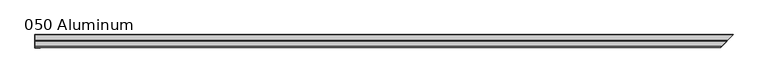
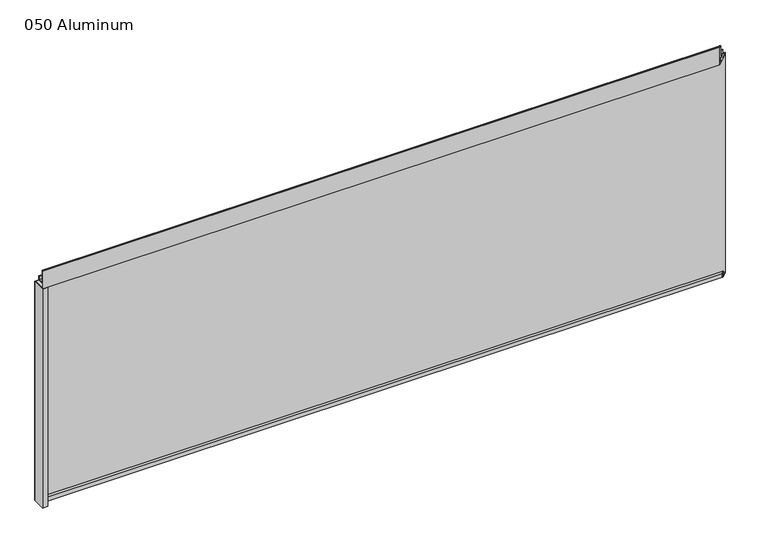
"""IFC4 building model written with IfcOpenShell, lengths in millimetres: plate geometry, 050 Aluminum."""

import ifcopenshell
import ifcopenshell.guid

model = None  # the IFC model being written
_history = None  # IfcOwnerHistory: only IFC2X3 demands one
_inside = {}  # id of a spatial element -> (the spatial element, [elements in it])
_under = {}  # id of a project, library or spatial element -> (it, [spatial elements below it])
_declared = {}  # id of a project -> (the project, [libraries it declares])
_typed = {}  # id of a type object -> (the type object, [elements of that type])
_made_of = {}  # id of a material, layer set ... -> (it, [elements and type objects made of it])


def new_model(schema):
    """Start an empty IFC model of exactly this schema.

    Asked for "IFC4X3", IfcOpenShell would pick the latest addendum, in which some entities
    have other attributes; the version numbers below select the first issue.
    IFC2X3 requires an IfcOwnerHistory on every rooted entity: one is made here for all.
    """
    global model, _history
    if schema == "IFC4X3":
        model = ifcopenshell.file(schema_version=(4, 3, 0, 0))
    else:
        model = ifcopenshell.file(schema=schema)
    _inside.clear()
    _under.clear()
    _declared.clear()
    _typed.clear()
    _made_of.clear()
    _history = None
    if model.schema == "IFC2X3":
        org = make("IfcOrganization", Name="unknown")
        user = make(
            "IfcPersonAndOrganization",
            ThePerson=make("IfcPerson", FamilyName="unknown"),
            TheOrganization=org,
        )
        app = make(
            "IfcApplication",
            ApplicationDeveloper=org,
            Version="unknown",
            ApplicationFullName="unknown",
            ApplicationIdentifier="unknown",
        )
        _history = make(
            "IfcOwnerHistory",
            OwningUser=user,
            OwningApplication=app,
            ChangeAction="ADDED",
            CreationDate=0,
        )
    return model


def make(cls, **values):
    """One entity of the class cls with the attributes given. An attribute that is None is left unset."""
    return model.create_entity(
        cls, **{name: value for name, value in values.items() if value is not None}
    )


def rooted(cls, **values):
    """An entity with a GlobalId (a new one), such as an element, a storey or a relation."""
    return make(cls, GlobalId=ifcopenshell.guid.new(), OwnerHistory=_history, **values)


def si_unit(unit_type, name, prefix=None):
    """IfcSIUnit, for example si_unit("LENGTHUNIT", "METRE", prefix="MILLI")."""
    return make("IfcSIUnit", UnitType=unit_type, Prefix=prefix, Name=name)


def assignment(units):
    """IfcUnitAssignment: the units of a project."""
    return None if units is None else make("IfcUnitAssignment", Units=units)


def point(xyz):
    """IfcCartesianPoint."""
    return None if xyz is None else make("IfcCartesianPoint", Coordinates=xyz)


def direction(xyz):
    """IfcDirection."""
    return None if xyz is None else make("IfcDirection", DirectionRatios=xyz)


def frame(location, z_axis=None, x_axis=None):
    """IfcAxis2Placement3D, a coordinate frame: its origin and axes. An axis left out is left unset."""
    return make(
        "IfcAxis2Placement3D",
        Location=point(location),
        Axis=direction(z_axis),
        RefDirection=direction(x_axis),
    )


def origin():
    """The frame at (0, 0, 0) with its axes left unset."""
    return frame((0.0, 0.0, 0.0))


def origin_with_axes():
    """The frame at (0, 0, 0) with the z axis (0, 0, 1) and the x axis (1, 0, 0) written out."""
    return frame((0.0, 0.0, 0.0), z_axis=(0.0, 0.0, 1.0), x_axis=(1.0, 0.0, 0.0))


def place(relative_to, where):
    """IfcLocalPlacement: puts the frame where relative to a parent placement (None: the world)."""
    return make(
        "IfcLocalPlacement", PlacementRelTo=relative_to, RelativePlacement=where
    )


def context(
    kind, dimensions, precision=None, world=None, true_north=None, identifier=None
):
    """IfcGeometricRepresentationContext, for example the 3D "Model" context."""
    return make(
        "IfcGeometricRepresentationContext",
        ContextIdentifier=identifier,
        ContextType=kind,
        CoordinateSpaceDimension=dimensions,
        Precision=precision,
        WorldCoordinateSystem=world,
        TrueNorth=true_north,
    )


def project(units=None, contexts=None):
    """IfcProject with its units and contexts."""
    return rooted(
        "IfcProject",
        Name="project",
        RepresentationContexts=contexts,
        UnitsInContext=assignment(units),
    )


def spatial(cls, under=None, at=None, **own):
    """A site, building, storey or space (cls), placed at a placement, below another one or the project."""
    s = rooted(cls, ObjectPlacement=at, **own)
    if under is not None:
        _under.setdefault(under.id(), (under, []))[1].append(s)
    return s


def polyline(points):
    """IfcPolyline through the points."""
    return make("IfcPolyline", Points=[point(p) for p in points])


def circle_curve(where, radius):
    """IfcCircle in the frame where."""
    return make("IfcCircle", Position=where, Radius=radius)


def ellipse_curve(where, semi_axis1, semi_axis2):
    """IfcEllipse in the frame where."""
    return make(
        "IfcEllipse", Position=where, SemiAxis1=semi_axis1, SemiAxis2=semi_axis2
    )


def outline(outer, holes=None, kind="AREA"):
    """IfcArbitraryClosedProfileDef: a profile drawn as a closed curve; with holes, ...WithVoids."""
    if holes is None:
        return make("IfcArbitraryClosedProfileDef", ProfileType=kind, OuterCurve=outer)
    return make(
        "IfcArbitraryProfileDefWithVoids",
        ProfileType=kind,
        OuterCurve=outer,
        InnerCurves=holes,
    )


def extrude(swept, where, along, depth):
    """IfcExtrudedAreaSolid: the profile swept, set in the frame where, extruded along a direction by depth."""
    return make(
        "IfcExtrudedAreaSolid",
        SweptArea=swept,
        Position=where,
        ExtrudedDirection=direction(along),
        Depth=depth,
    )


def shape(context_of_items, identifier, shape_type, items):
    """IfcShapeRepresentation: the items that make up one representation, for example the "Body"."""
    return make(
        "IfcShapeRepresentation",
        ContextOfItems=context_of_items,
        RepresentationIdentifier=identifier,
        RepresentationType=shape_type,
        Items=items,
    )


def source(mapping_origin, context_of_items, identifier, shape_type, items):
    """IfcRepresentationMap: a shape defined once, which mapped items show again and again."""
    return make(
        "IfcRepresentationMap",
        MappingOrigin=mapping_origin,
        MappedRepresentation=shape(context_of_items, identifier, shape_type, items),
    )


def transform(
    local_origin,
    x_axis=None,
    y_axis=None,
    z_axis=None,
    scale=None,
    scale2=None,
    scale3=None,
    uniform=True,
):
    """IfcCartesianTransformationOperator3D, or its non-uniform kind. x_axis, y_axis, z_axis: its Axis1, 2, 3."""
    if uniform:
        return make(
            "IfcCartesianTransformationOperator3D",
            Axis1=direction(x_axis),
            Axis2=direction(y_axis),
            LocalOrigin=point(local_origin),
            Scale=scale,
            Axis3=direction(z_axis),
        )
    return make(
        "IfcCartesianTransformationOperator3DnonUniform",
        Axis1=direction(x_axis),
        Axis2=direction(y_axis),
        LocalOrigin=point(local_origin),
        Scale=scale,
        Axis3=direction(z_axis),
        Scale2=scale2,
        Scale3=scale3,
    )


def mapped(mapping_source, mapping_target):
    """IfcMappedItem: shows the shape of a source again, moved by a transform."""
    return make(
        "IfcMappedItem", MappingSource=mapping_source, MappingTarget=mapping_target
    )


def made_of(thing, what):
    """Note that an element or type object is made of a material, layer set ...; save() writes the relation."""
    if what is not None:
        _made_of.setdefault(what.id(), (what, []))[1].append(thing)
    return thing


def element(
    cls,
    number,
    at=None,
    inside=None,
    cuts=None,
    type_object=None,
    material=None,
    context=None,
    identifier="Body",
    shape_type=None,
    held_by="IfcProductDefinitionShape",
    body=None,
    shapes=None,
    **own,
):
    """One element of the class cls, such as IfcWall. Its Tag is "e" and its number.

    at: its placement. inside: the storey or other place that contains it. cuts: it is an
    opening in that element (IfcRelVoidsElement). A single representation is given by context,
    identifier, shape_type and body (its items); several are given by shapes. held_by: the class
    of the entity that holds the representations. save() writes the other relations.
    """
    e = rooted(cls, Tag="e%d" % number, ObjectPlacement=at, **own)
    if body is not None:
        shapes = [shape(context, identifier, shape_type, body)]
    if shapes is not None:
        e.Representation = make(held_by, Representations=shapes)
    if inside is not None:
        _inside.setdefault(inside.id(), (inside, []))[1].append(e)
    if cuts is not None:
        rooted(
            "IfcRelVoidsElement", RelatingBuildingElement=cuts, RelatedOpeningElement=e
        )
    if type_object is not None:
        _typed.setdefault(type_object.id(), (type_object, []))[1].append(e)
    return made_of(e, material)


def aggregate(whole, parts):
    """IfcRelAggregates: a whole, such as a stair, and the parts it consists of."""
    return rooted("IfcRelAggregates", RelatingObject=whole, RelatedObjects=parts)


def save(model, path):
    """Write the relations noted so far, then the file.

    IfcRelAggregates (storeys below a building ...), IfcRelContainedInSpatialStructure (elements
    in a storey), IfcRelDefinesByType, IfcRelAssociatesMaterial and IfcRelDeclares: one each for
    every whole, place, type object, material and project.
    """
    for whole, parts in _under.values():
        aggregate(whole, parts)
    for where, things in _inside.values():
        rooted(
            "IfcRelContainedInSpatialStructure",
            RelatedElements=things,
            RelatingStructure=where,
        )
    for kind, things in _typed.values():
        rooted("IfcRelDefinesByType", RelatedObjects=things, RelatingType=kind)
    for what, things in _made_of.values():
        rooted("IfcRelAssociatesMaterial", RelatedObjects=things, RelatingMaterial=what)
    for by, libraries in _declared.values():
        rooted("IfcRelDeclares", RelatingContext=by, RelatedDefinitions=libraries)
    model.write(path)


def plane_surface(at):
    """IfcPlane: the flat surface through the origin of the frame at, square to its z axis."""
    return make("IfcPlane", Position=at)


def cylinder_surface(at, radius):
    """IfcCylindricalSurface: all points at the distance radius from the z axis of the frame at."""
    return make("IfcCylindricalSurface", Position=at, Radius=radius)


def revolved_surface(curve, axis_point, axis_direction):
    """IfcSurfaceOfRevolution: the curve turned about the line through axis_point along axis_direction."""
    return make(
        "IfcSurfaceOfRevolution",
        SweptCurve=make("IfcArbitraryOpenProfileDef", ProfileType="CURVE", Curve=curve),
        AxisPosition=make("IfcAxis1Placement", Location=point(axis_point), Axis=direction(axis_direction)),
    )


def advanced_brep(points, edges, surfaces, faces):
    """IfcAdvancedBrep: a solid bounded by faces that lie on surfaces and meet in shared edges.

    An edge is (start, end): straight between two places in points (the first is 0);
    or (start, end, curve); or (start, end, curve, False) where it runs against its curve.
    A face is (place in surfaces, loops), or (place, loops, False) where it looks against
    its surface's normal. A loop lists edges by number (the first is 1), with a minus sign
    where the edge is run from its end to its start. The first loop is the outer one.
    """
    corners = [point(p) for p in points]
    vertices = [make("IfcVertexPoint", VertexGeometry=c) for c in corners]
    made = []
    for start, end, *more in edges:
        made.append(
            make(
                "IfcEdgeCurve",
                EdgeStart=vertices[start],
                EdgeEnd=vertices[end],
                EdgeGeometry=more[0] if more else make("IfcPolyline", Points=[corners[start], corners[end]]),
                SameSense=more[1] if len(more) > 1 else True,
            )
        )
    hull = []
    for where, loops, *sense in faces:
        bounds = []
        for j, loop in enumerate(loops):
            ring = [make("IfcOrientedEdge", EdgeElement=made[abs(k) - 1], Orientation=k > 0) for k in loop]
            bounds.append(
                make(
                    "IfcFaceOuterBound" if j == 0 else "IfcFaceBound",
                    Bound=make("IfcEdgeLoop", EdgeList=ring),
                    Orientation=True,
                )
            )
        hull.append(make("IfcAdvancedFace", Bounds=bounds, FaceSurface=surfaces[where], SameSense=sense[0] if sense else True))
    return make("IfcAdvancedBrep", Outer=make("IfcClosedShell", CfsFaces=hull))


def plate_050_aluminum_2981a1be(model_context):
    return source(origin(), model_context, "Body", "SolidModel", [
        extrude(outline(polyline([(-888.5237498, 2.5660257), (-875.6332493, 2.5660257), (-875.6332493, 1.2699999), (-889.7937498, 1.2699999), (-889.7937498, 34.7980001), (-888.5237498, 34.7980001), (-888.5237498, 2.5660257)])), origin_with_axes(), (0.0, 0.0, 1.0), 608.33),
        advanced_brep(
        [(-888.5237498, 16.6765477, 13.1458337), (-888.5237498, 23.0264743, 13.124237), (-888.5237498, 23.0264743, 1.2693678), (-888.5237498, 34.7980002, 1.2693678), (-888.5237498, 34.7980002, 0.0), (-888.5237498, 21.7564743, 0.0), (-888.5237498, 21.7564743, 13.124237), (-888.5237498, 17.9464915, 13.1323356), (-888.5237498, 17.9464915, 2.786437), (-888.5237498, 16.6765477, 2.786437), (906.4702976, 16.6765477, 2.786437), (906.4702976, 16.6765477, 13.1458337), (907.7402413, 17.9464915, 2.786437), (907.7402413, 17.9464915, 13.1323356), (911.5502241, 21.7564743, 13.124237), (911.5502241, 21.7564743, 0.0), (924.5917498, 34.7980002, 0.0), (924.5917498, 34.7980002, 1.2693678), (912.8202241, 23.0264743, 1.2693678), (912.8202241, 23.0264743, 13.124237)],
        [
            (0, 1, circle_curve(frame((-888.5237498, 19.8514743, 13.124237), z_axis=(-1.0, 0.0, 0.0), x_axis=(0.0, 0.0, -1.0)), 3.175)),
            (1, 2),
            (2, 3),
            (3, 4),
            (4, 5),
            (5, 6),
            (6, 7, circle_curve(frame((-888.5237498, 19.8514743, 13.124237), z_axis=(1.0, 0.0, 0.0), x_axis=(0.0, 0.0, -1.0)), 1.905)),
            (7, 8),
            (8, 9),
            (9, 0),
            (9, 10),
            (10, 11),
            (11, 0),
            (8, 12),
            (12, 10),
            (7, 13),
            (13, 12),
            (6, 14),
            (14, 13, ellipse_curve(frame((909.6452241, 19.8514743, 13.124237), z_axis=(0.707106781186549, -0.7071067811865461, 0.0), x_axis=(0.7071067811865459, 0.707106781186549, 0.0)), 2.6940768, 1.905)),
            (5, 15),
            (15, 14),
            (4, 16),
            (16, 15),
            (3, 17),
            (17, 16),
            (2, 18),
            (18, 17),
            (1, 19),
            (19, 18),
            (11, 19, ellipse_curve(frame((909.6452241, 19.8514743, 13.124237), z_axis=(-0.707106781186549, 0.7071067811865461, 0.0), x_axis=(-0.7071067811865459, -0.707106781186549, 0.0)), 4.4901281, 3.175)),
        ],
        [
            plane_surface(frame((-888.5237498, 36.068, 0.0), z_axis=(-1.0, 0.0, 0.0), x_axis=(0.0, 0.0, 1.0))),
            plane_surface(frame((-888.5237498, 16.6765477, 13.1458337), z_axis=(0.0, -1.0, 0.0), x_axis=(1.0, 0.0, 0.0))),
            plane_surface(frame((-888.5237498, 16.6765477, 2.786437), z_axis=(0.0, 0.0, -1.0), x_axis=(1.0, 0.0, 0.0))),
            plane_surface(frame((-888.5237498, 17.9464915, 2.786437), z_axis=(0.0, 1.0, 0.0), x_axis=(1.0, 0.0, 0.0))),
            revolved_surface(polyline([(911.5502241, 19.8514743, 11.219237000000001), (-888.5237498, 19.8514743, 11.219237000000001)]), (-888.5237498, 19.8514743, 13.124237), (1.0, 0.0, 0.0)),
            plane_surface(frame((-888.5237498, 21.7564743, 13.124237), z_axis=(0.0, -1.0, 0.0), x_axis=(1.0, 0.0, 0.0))),
            plane_surface(frame((-888.5237498, 21.7564743, 0.0), z_axis=(0.0, 0.0, -1.0), x_axis=(1.0, 0.0, 0.0))),
            plane_surface(frame((-888.5237498, 34.7980002, 0.0), z_axis=(0.0, 1.0, 0.0), x_axis=(1.0, 0.0, 0.0))),
            plane_surface(frame((-888.5237498, 34.7980002, 1.2693678), z_axis=(0.0, 0.0, 1.0), x_axis=(1.0, 0.0, 0.0))),
            plane_surface(frame((-888.5237498, 23.0264743, 1.2693678), z_axis=(0.0, 1.0, 0.0), x_axis=(1.0, 0.0, 0.0))),
            cylinder_surface(frame((-888.5237498, 19.8514743, 13.124237), z_axis=(-1.0, 0.0, 0.0), x_axis=(0.0, 0.0, -1.0)), 3.175),
            plane_surface(frame((889.7937498, 0.0, 795.4549971), z_axis=(0.707106781186549, -0.7071067811865461, 0.0), x_axis=(0.0, 0.0, -1.0))),
        ],
        [
            (0, [[1, 2, 3, 4, 5, 6, 7, 8, 9, 10]]),
            (1, [[11, 12, 13, -10]]),
            (2, [[14, 15, -11, -9]]),
            (3, [[16, 17, -14, -8]]),
            (4, [[18, 19, -16, -7]]),
            (5, [[20, 21, -18, -6]]),
            (6, [[22, 23, -20, -5]]),
            (7, [[24, 25, -22, -4]]),
            (8, [[26, 27, -24, -3]]),
            (9, [[28, 29, -26, -2]]),
            (10, [[-13, 30, -28, -1]]),
            (11, [[-15, -17, -19, -21, -23, -25, -27, -29, -30, -12]]),
        ],
    ),
        advanced_brep(
        [(-888.5237498, 2.0574743, 656.7932001), (-888.5237498, 5.3594742, 656.7932001), (-888.5237498, 5.3594742, 623.57), (-888.5237498, 19.2164743, 623.57), (-888.5237498, 19.2164743, 633.6538), (-888.5237498, 20.4864742, 633.6538), (-888.5237498, 20.4864742, 622.3), (-888.5237498, 4.0894742, 622.3), (-888.5237498, 4.0894742, 656.7932001), (-888.5237498, 3.3274743, 656.7932001), (-888.5237498, 3.3274743, 609.6000001), (-888.5237498, 34.7980002, 609.6000001), (-888.5237498, 34.7980002, 608.33), (-888.5237498, 2.0574743, 608.33), (891.8512241, 2.0574743, 608.33), (891.8512241, 2.0574743, 656.7932001), (924.5917498, 34.7980002, 608.33), (924.5917498, 34.7980002, 609.6000001), (893.1212241, 3.3274743, 609.6000001), (893.1212241, 3.3274743, 656.7932001), (893.883224, 4.0894742, 656.7932001), (893.883224, 4.0894742, 622.3), (910.2802241, 20.4864742, 622.3), (910.2802241, 20.4864742, 633.6538), (909.0102242, 19.2164743, 633.6538), (909.0102242, 19.2164743, 623.57), (895.153224, 5.3594742, 623.57), (895.153224, 5.3594742, 656.7932001)],
        [
            (0, 1, circle_curve(frame((-888.5237498, 3.7084742, 656.7932001), z_axis=(-1.0, 0.0, 0.0), x_axis=(0.0, 0.0, -1.0)), 1.6509999)),
            (1, 2),
            (2, 3),
            (3, 4),
            (4, 5),
            (5, 6),
            (6, 7),
            (7, 8),
            (8, 9, circle_curve(frame((-888.5237498, 3.7084742, 656.7932001), z_axis=(1.0, 0.0, 0.0), x_axis=(0.0, 0.0, -1.0)), 0.3809999)),
            (9, 10),
            (10, 11),
            (11, 12),
            (12, 13),
            (13, 0),
            (13, 14),
            (14, 15),
            (15, 0),
            (12, 16),
            (16, 14),
            (11, 17),
            (17, 16),
            (10, 18),
            (18, 17),
            (9, 19),
            (19, 18),
            (8, 20),
            (20, 19, ellipse_curve(frame((893.5022241, 3.7084742, 656.7932001), z_axis=(0.707106781186549, -0.7071067811865461, 0.0), x_axis=(0.7071067811865459, 0.707106781186549, 0.0)), 0.5388153, 0.3809999)),
            (7, 21),
            (21, 20),
            (6, 22),
            (22, 21),
            (5, 23),
            (23, 22),
            (4, 24),
            (24, 23),
            (3, 25),
            (25, 24),
            (2, 26),
            (26, 25),
            (1, 27),
            (27, 26),
            (15, 27, ellipse_curve(frame((893.5022241, 3.7084742, 656.7932001), z_axis=(-0.707106781186549, 0.7071067811865461, 0.0), x_axis=(-0.7071067811865459, -0.707106781186549, 0.0)), 2.3348665, 1.6509999)),
        ],
        [
            plane_surface(frame((-888.5237498, 36.068, 609.6), z_axis=(-1.0, 0.0, 0.0), x_axis=(0.0, 0.0, 1.0))),
            plane_surface(frame((-888.5237498, 2.0574743, 656.7932001), z_axis=(0.0, -1.0, 0.0), x_axis=(1.0, 0.0, 0.0))),
            plane_surface(frame((-888.5237498, 2.0574743, 608.33), z_axis=(0.0, 0.0, -1.0), x_axis=(1.0, 0.0, 0.0))),
            plane_surface(frame((-888.5237498, 34.7980002, 608.33), z_axis=(0.0, 1.0, 0.0), x_axis=(1.0, 0.0, 0.0))),
            plane_surface(frame((-888.5237498, 34.7980002, 609.6000001), z_axis=(0.0, 0.0, 1.0), x_axis=(1.0, 0.0, 0.0))),
            plane_surface(frame((-888.5237498, 3.3274743, 609.6000001), z_axis=(0.0, 1.0, 0.0), x_axis=(1.0, 0.0, 0.0))),
            revolved_surface(polyline([(893.8832240524372, 3.7084742, 656.4122002), (-888.5237498, 3.7084742, 656.4122002)]), (-888.5237498, 3.7084742, 656.7932001), (1.0, 0.0, 0.0)),
            plane_surface(frame((-888.5237498, 4.0894742, 656.7932001), z_axis=(0.0, -1.0, 0.0), x_axis=(1.0, 0.0, 0.0))),
            plane_surface(frame((-888.5237498, 4.0894742, 622.3), z_axis=(0.0, 0.0, -1.0), x_axis=(1.0, 0.0, 0.0))),
            plane_surface(frame((-888.5237498, 20.4864742, 622.3), z_axis=(0.0, 1.0, 0.0), x_axis=(1.0, 0.0, 0.0))),
            plane_surface(frame((-888.5237498, 20.4864742, 633.6538), z_axis=(0.0, 0.0, 1.0), x_axis=(1.0, 0.0, 0.0))),
            plane_surface(frame((-888.5237498, 19.2164743, 633.6538), z_axis=(0.0, -1.0, 0.0), x_axis=(1.0, 0.0, 0.0))),
            plane_surface(frame((-888.5237498, 19.2164743, 623.57), z_axis=(0.0, 0.0, 1.0), x_axis=(1.0, 0.0, 0.0))),
            plane_surface(frame((-888.5237498, 5.3594742, 623.57), z_axis=(0.0, 1.0, 0.0), x_axis=(1.0, 0.0, 0.0))),
            cylinder_surface(frame((-888.5237498, 3.7084742, 656.7932001), z_axis=(-1.0, 0.0, 0.0), x_axis=(0.0, 0.0, -1.0)), 1.6509999),
            plane_surface(frame((889.7937498, 0.0, 795.4549971), z_axis=(0.707106781186549, -0.7071067811865461, 0.0), x_axis=(0.0, 0.0, -1.0))),
        ],
        [
            (0, [[1, 2, 3, 4, 5, 6, 7, 8, 9, 10, 11, 12, 13, 14]]),
            (1, [[15, 16, 17, -14]]),
            (2, [[18, 19, -15, -13]]),
            (3, [[20, 21, -18, -12]]),
            (4, [[22, 23, -20, -11]]),
            (5, [[24, 25, -22, -10]]),
            (6, [[26, 27, -24, -9]]),
            (7, [[28, 29, -26, -8]]),
            (8, [[30, 31, -28, -7]]),
            (9, [[32, 33, -30, -6]]),
            (10, [[34, 35, -32, -5]]),
            (11, [[36, 37, -34, -4]]),
            (12, [[38, 39, -36, -3]]),
            (13, [[40, 41, -38, -2]]),
            (14, [[-17, 42, -40, -1]]),
            (15, [[-19, -21, -23, -25, -27, -29, -31, -33, -35, -37, -39, -41, -42, -16]]),
        ],
    ),
        extrude(outline(polyline([(-889.7937498, 36.068), (925.8617498, 36.068), (924.5917499, 34.7980001), (-889.7937498, 34.7980001), (-889.7937498, 36.068)])), origin_with_axes(), (0.0, 0.0, 1.0), 609.6),
    ])


if __name__ == "__main__":
    model = new_model("IFC4")
    model_context = context("Model", 3, world=origin())
    ifc_project = project(units=[si_unit("LENGTHUNIT", "METRE", prefix="MILLI")], contexts=[model_context])
    site = spatial("IfcSite", under=ifc_project)
    building = spatial("IfcBuilding", under=site)
    placement = place(None, origin())
    plate_050_aluminum_shape = plate_050_aluminum_2981a1be(model_context)
    element("IfcPlate", 1, ObjectType="050 Aluminum", at=placement, inside=building, context=model_context, shape_type="MappedRepresentation", body=[
        mapped(plate_050_aluminum_shape, transform((0.0, 0.0, 0.0), x_axis=(1.0, 0.0, 0.0), y_axis=(0.0, 1.0, 0.0), z_axis=(0.0, 0.0, 1.0))),
    ])
    save(model, "model.ifc")
